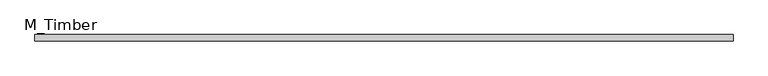
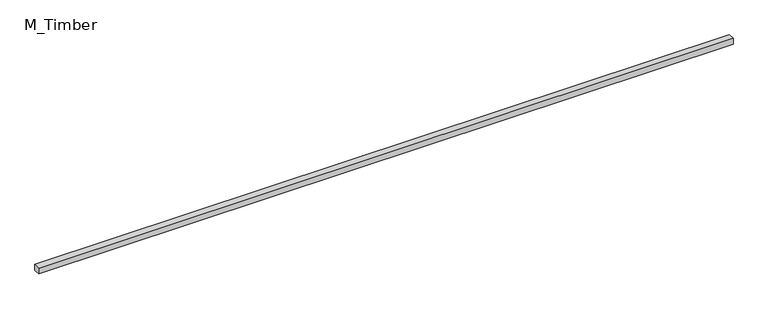
"""IFC4 building model written with IfcOpenShell, lengths in millimetres: beam geometry, M_Timber."""

from ifc_helpers import new_model, si_unit, frame, origin, place, context, project, spatial, polyline, outline, extrude, source, transform, mapped, element, save


def m_timber_6653fb90(model_context):
    return source(origin(), model_context, "Body", "SweptSolid", [
        extrude(outline(polyline([(2218.8832413, 20.0), (2218.8832413, -20.0), (-2218.8832413, -20.0), (-2218.8832413, 20.0), (2218.8832413, 20.0)])), frame((0.0, 0.0, -20.0), z_axis=(0.0, 0.0, 1.0), x_axis=(1.0, 0.0, 0.0)), (0.0, 0.0, 1.0), 40.0),
    ])


if __name__ == "__main__":
    model = new_model("IFC4")
    model_context = context("Model", 3, world=origin())
    ifc_project = project(units=[si_unit("LENGTHUNIT", "METRE", prefix="MILLI")], contexts=[model_context])
    site = spatial("IfcSite", under=ifc_project)
    building = spatial("IfcBuilding", under=site)
    placement = place(None, origin())
    m_timber_shape = m_timber_6653fb90(model_context)
    element("IfcBeam", 1, ObjectType="M_Timber", at=placement, inside=building, context=model_context, shape_type="MappedRepresentation", body=[
        mapped(m_timber_shape, transform((0.0, 0.0, 0.0), x_axis=(1.0, 0.0, 0.0), y_axis=(0.0, 1.0, 0.0), z_axis=(0.0, 0.0, 1.0))),
    ])
    save(model, "model.ifc")
